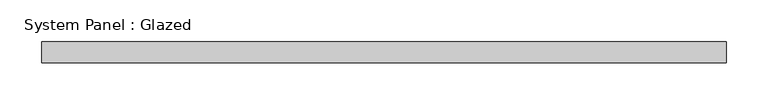
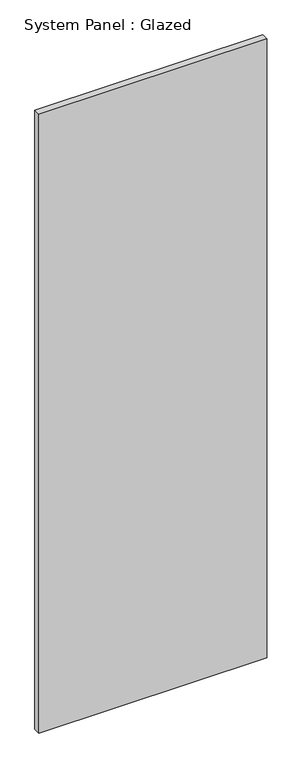
"""IFC4 building model written with IfcOpenShell, lengths in millimetres: plate geometry, System Panel : Glazed."""

from ifc_helpers import new_model, si_unit, origin, origin_with_axes, place, context, project, spatial, polyline, outline, extrude, source, transform, mapped, element, save


def system_panel_glazed_4094fb09(model_context):
    return source(origin(), model_context, "Body", "SweptSolid", [
        extrude(outline(polyline([(411.9567066, -12.7), (-411.9567066, -12.7), (-411.9567066, 12.7), (411.9567066, 12.7), (411.9567066, -12.7)])), origin_with_axes(), (0.0, 0.0, 1.0), 2367.7626),
    ])


if __name__ == "__main__":
    model = new_model("IFC4")
    model_context = context("Model", 3, world=origin())
    ifc_project = project(units=[si_unit("LENGTHUNIT", "METRE", prefix="MILLI")], contexts=[model_context])
    site = spatial("IfcSite", under=ifc_project)
    building = spatial("IfcBuilding", under=site)
    placement = place(None, origin())
    system_panel_glazed_shape = system_panel_glazed_4094fb09(model_context)
    element("IfcPlate", 1, ObjectType="System Panel : Glazed", at=placement, inside=building, context=model_context, shape_type="MappedRepresentation", body=[
        mapped(system_panel_glazed_shape, transform((0.0, 0.0, 0.0), x_axis=(1.0, 0.0, 0.0), y_axis=(0.0, 1.0, 0.0), z_axis=(0.0, 0.0, 1.0))),
    ])
    save(model, "model.ifc")
